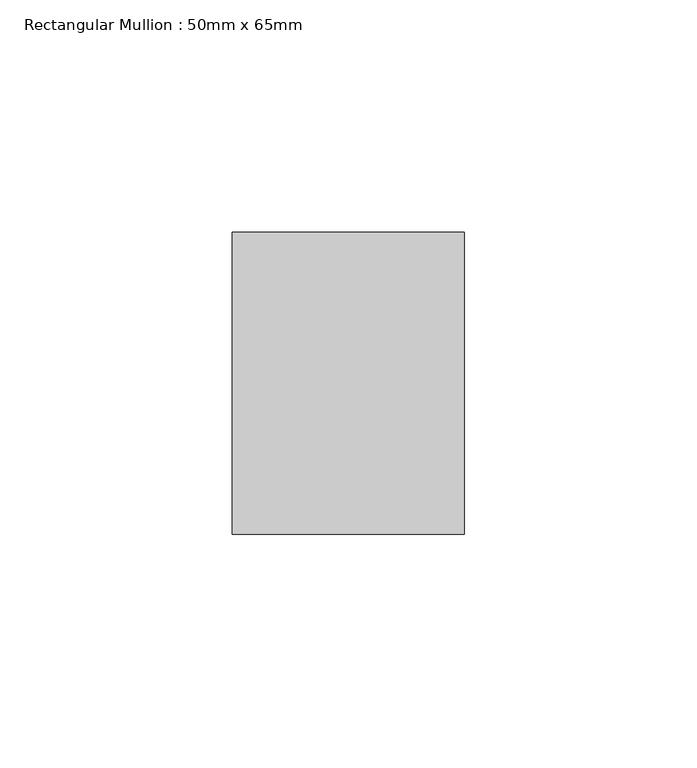
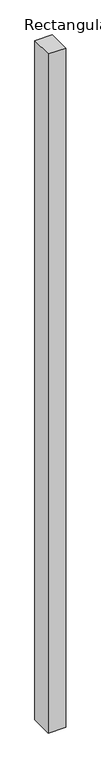
"""IFC4 building model written with IfcOpenShell, lengths in millimetres: member geometry, Rectangular Mullion : 50mm x 65mm."""

from ifc_helpers import new_model, si_unit, frame, origin, place, context, project, spatial, polyline, outline, extrude, source, transform, mapped, element, save


def rectangular_mullion_50mm_x_65mm_1375d6c5(model_context):
    return source(origin(), model_context, "Body", "SweptSolid", [
        extrude(outline(polyline([(25.0, 32.5), (25.0, -32.5), (-25.0, -32.5), (-25.0, 32.5), (25.0, 32.5)])), frame((0.0, 0.0, -2042.0387927), z_axis=(0.0, 0.0, 1.0), x_axis=(1.0, 0.0, 0.0)), (0.0, 0.0, 1.0), 2042.0387927),
    ])


if __name__ == "__main__":
    model = new_model("IFC4")
    model_context = context("Model", 3, world=origin())
    ifc_project = project(units=[si_unit("LENGTHUNIT", "METRE", prefix="MILLI")], contexts=[model_context])
    site = spatial("IfcSite", under=ifc_project)
    building = spatial("IfcBuilding", under=site)
    placement = place(None, origin())
    rectangular_mullion_50mm_x_65mm_shape = rectangular_mullion_50mm_x_65mm_1375d6c5(model_context)
    element("IfcMember", 1, ObjectType="Rectangular Mullion : 50mm x 65mm", at=placement, inside=building, context=model_context, shape_type="MappedRepresentation", body=[
        mapped(rectangular_mullion_50mm_x_65mm_shape, transform((0.0, 0.0, 0.0), x_axis=(1.0, 0.0, 0.0), y_axis=(0.0, 1.0, 0.0), z_axis=(0.0, 0.0, 1.0))),
    ])
    save(model, "model.ifc")
